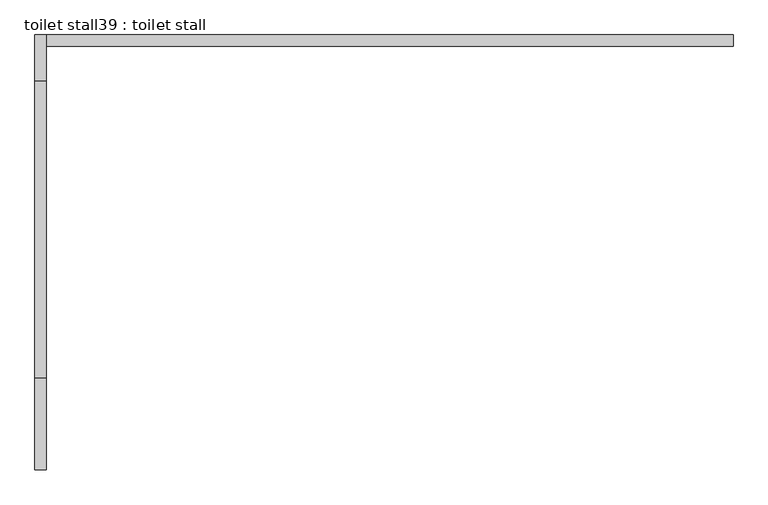
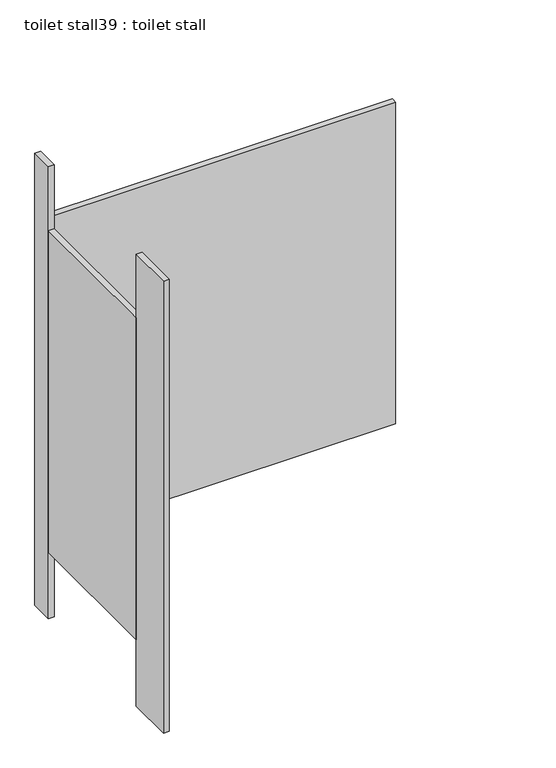
"""IFC4 building model written with IfcOpenShell, lengths in millimetres: proxy geometry, toilet stall39 : toilet stall."""

from ifc_helpers import new_model, si_unit, frame, origin, origin_with_axes, place, context, project, spatial, polyline, outline, extrude, source, transform, mapped, element, save


def toilet_stall39_toilet_stall_451fbf46(model_context):
    return source(origin(), model_context, "Body", "SweptSolid", [
        extrude(outline(polyline([(457604.6004676, -269951.0233948), (457604.6004676, -270154.2233948), (457579.2004676, -270154.2233948), (457579.2004676, -269951.0233948), (457604.6004676, -269951.0233948)])), origin_with_axes(), (0.0, 0.0, 1.0), 2070.1),
        extrude(outline(polyline([(457604.6004676, -269189.0233948), (457604.6004676, -269290.6233948), (457579.2004676, -269290.6233948), (457579.2004676, -269189.0233948), (457604.6004676, -269189.0233948)])), origin_with_axes(), (0.0, 0.0, 1.0), 2070.1),
        extrude(outline(polyline([(457604.6004676, -269189.0233948), (459128.6004676, -269189.0233948), (459128.6004676, -269214.4233948), (457604.6004676, -269214.4233948), (457604.6004676, -269189.0233948)])), frame((0.0, 0.0, 304.8), z_axis=(0.0, 0.0, 1.0), x_axis=(1.0, 0.0, 0.0)), (0.0, 0.0, 1.0), 1473.2),
        extrude(outline(polyline([(457604.6004676, -269290.6233948), (457604.6004676, -269951.0233948), (457579.2004676, -269951.0233948), (457579.2004676, -269290.6233948), (457604.6004676, -269290.6233948)])), frame((0.0, 0.0, 304.8), z_axis=(0.0, 0.0, 1.0), x_axis=(1.0, 0.0, 0.0)), (0.0, 0.0, 1.0), 1473.2),
    ])


if __name__ == "__main__":
    model = new_model("IFC4")
    model_context = context("Model", 3, world=origin())
    ifc_project = project(units=[si_unit("LENGTHUNIT", "METRE", prefix="MILLI")], contexts=[model_context])
    site = spatial("IfcSite", under=ifc_project)
    building = spatial("IfcBuilding", under=site)
    placement = place(None, origin())
    toilet_stall39_toilet_stall_shape = toilet_stall39_toilet_stall_451fbf46(model_context)
    element("IfcBuildingElementProxy", 1, Name="toilet stall39 : toilet stall", ObjectType="toilet stall39 : toilet stall", at=placement, inside=building, context=model_context, shape_type="MappedRepresentation", body=[
        mapped(toilet_stall39_toilet_stall_shape, transform((0.0, 0.0, 0.0), x_axis=(1.0, 0.0, 0.0), y_axis=(0.0, 1.0, 0.0), z_axis=(0.0, 0.0, 1.0))),
    ])
    save(model, "model.ifc")
